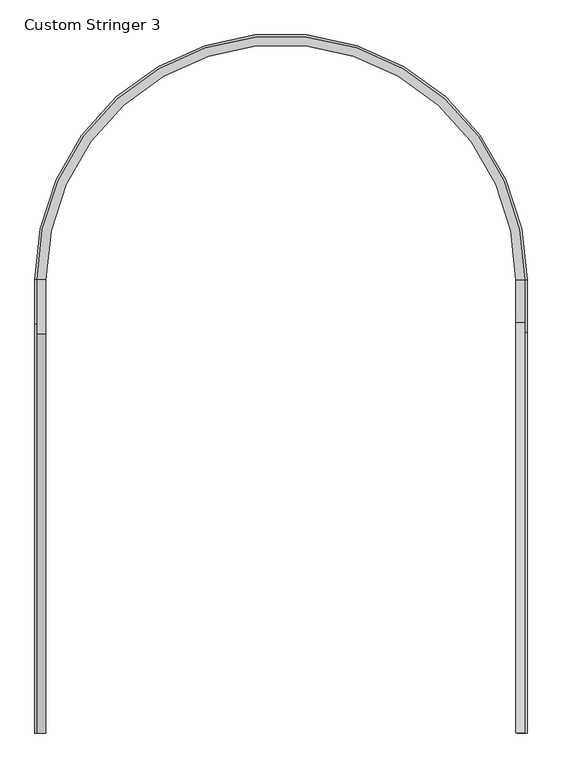
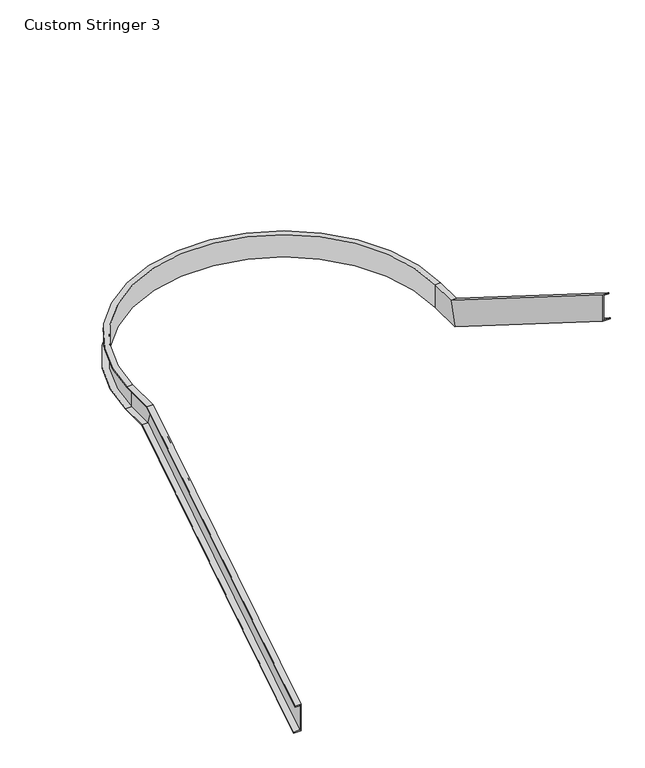
"""IFC4 building model written with IfcOpenShell, lengths in millimetres: railing geometry, Custom Stringer 3."""

from ifc_helpers import new_model, si_unit, frame, origin, place, context, project, spatial, polyline, circle_curve, source, transform, mapped, element, save
from ifc_brep_helpers import plane_surface, cylinder_surface, revolved_surface, advanced_brep


def custom_stringer_3_504a3947(model_context):
    return source(origin(), model_context, "Body", "AdvancedBrep", [
        advanced_brep(
        [(32029.7107122, -9490.020711, 222.1036534), (32029.7107122, -9490.020711, 207.0977159), (32093.2107122, -9490.020711, 207.0977159), (32093.2107122, -9490.020711, -138.038847), (32010.6607122, -9490.020711, -138.038847), (32010.6607122, -9490.020711, -153.0447845), (32105.9107122, -9490.020711, -153.0447845), (32105.9107122, -9490.020711, 222.1036534), (32029.7107122, -6049.287627, 2387.6), (32029.7107122, -6045.6237485, 2374.9), (32093.2107122, -6045.6237485, 2374.9), (32093.2107122, -5961.354543, 2082.8), (32010.6607122, -5961.354543, 2082.8), (32010.6607122, -5957.6906645, 2070.1), (32105.9107122, -5957.6906645, 2070.1), (32105.9107122, -6049.287627, 2387.6), (32029.7107122, -5578.420711, 2387.6), (32029.7107122, -5578.420711, 2374.9), (32093.2107122, -5578.420711, 2374.9), (32093.2107122, -5578.420711, 2082.8), (32010.6607122, -5578.420711, 2082.8), (32010.6607122, -5578.420711, 2070.1), (32105.9107122, -5578.420711, 2070.1), (32105.9107122, -5578.420711, 2387.6), (36244.0371795, -5578.420711, 2374.9), (36244.0371795, -5578.420711, 2387.6), (36180.5371795, -5578.420711, 2374.9), (36180.5371795, -5578.420711, 2082.8), (36263.0871795, -5578.420711, 2082.8), (36263.0871795, -5578.420711, 2070.1), (36167.8371795, -5578.420711, 2070.1), (36167.8371795, -5578.420711, 2387.6), (36244.0371795, -5945.753795, 2387.6), (36244.0371795, -5949.4176735, 2374.9), (36180.5371795, -5949.4176735, 2374.9), (36180.5371795, -6033.686879, 2082.8), (36263.0871795, -6033.686879, 2082.8), (36263.0871795, -6037.3507575, 2070.1), (36167.8371795, -6037.3507575, 2070.1), (36167.8371795, -5945.753795, 2387.6), (36244.0371795, -9490.020711, 4618.2574996), (36167.8371795, -9490.020711, 4618.2574996), (36167.8371795, -9490.020711, 4243.1090616), (36263.0871795, -9490.020711, 4243.1090616), (36263.0871795, -9490.020711, 4258.1149991), (36180.5371795, -9490.020711, 4258.1149991), (36180.5371795, -9490.020711, 4603.2515621), (36244.0371795, -9490.020711, 4603.2515621)],
        [
            (0, 1),
            (1, 2),
            (2, 3),
            (3, 4),
            (4, 5),
            (5, 6),
            (6, 7),
            (7, 0),
            (0, 8),
            (8, 9),
            (9, 1),
            (9, 10),
            (10, 2),
            (10, 11),
            (11, 3),
            (11, 12),
            (12, 4),
            (12, 13),
            (13, 5),
            (13, 14),
            (14, 6),
            (14, 15),
            (15, 7),
            (15, 8),
            (8, 16),
            (16, 17),
            (17, 9),
            (17, 18),
            (18, 10),
            (18, 19),
            (19, 11),
            (19, 20),
            (20, 12),
            (20, 21),
            (21, 13),
            (21, 22),
            (22, 14),
            (22, 23),
            (23, 15),
            (23, 16),
            (24, 17, circle_curve(frame((34136.8739459, -5578.420711, 2374.9), z_axis=(0.0, 0.0, 1.0), x_axis=(-1.0, 0.0, 0.0)), 2107.1632337)),
            (16, 25, circle_curve(frame((34136.8739459, -5578.420711, 2387.6), z_axis=(0.0, 0.0, -1.0), x_axis=(-1.0, 0.0, 0.0)), 2107.1632337)),
            (25, 24),
            (26, 18, circle_curve(frame((34136.8739459, -5578.420711, 2374.9), z_axis=(0.0, 0.0, 1.0), x_axis=(-1.0, 0.0, 0.0)), 2043.6632337)),
            (24, 26),
            (27, 19, circle_curve(frame((34136.8739459, -5578.420711, 2082.8), z_axis=(0.0, 0.0, 1.0), x_axis=(-1.0, 0.0, 0.0)), 2043.6632337)),
            (26, 27),
            (28, 20, circle_curve(frame((34136.8739459, -5578.420711, 2082.8), z_axis=(0.0, 0.0, 1.0), x_axis=(-1.0, 0.0, 0.0)), 2126.2132337)),
            (27, 28),
            (29, 21, circle_curve(frame((34136.8739459, -5578.420711, 2070.1), z_axis=(0.0, 0.0, 1.0), x_axis=(-1.0, 0.0, 0.0)), 2126.2132337)),
            (28, 29),
            (30, 22, circle_curve(frame((34136.8739459, -5578.420711, 2070.1), z_axis=(0.0, 0.0, 1.0), x_axis=(-1.0, 0.0, 0.0)), 2030.9632337)),
            (29, 30),
            (31, 23, circle_curve(frame((34136.8739459, -5578.420711, 2387.6), z_axis=(0.0, 0.0, 1.0), x_axis=(-1.0, 0.0, 0.0)), 2030.9632337)),
            (30, 31),
            (31, 25),
            (25, 32),
            (32, 33),
            (33, 24),
            (33, 34),
            (34, 26),
            (34, 35),
            (35, 27),
            (35, 36),
            (36, 28),
            (36, 37),
            (37, 29),
            (37, 38),
            (38, 30),
            (38, 39),
            (39, 31),
            (39, 32),
            (40, 41),
            (41, 42),
            (42, 43),
            (43, 44),
            (44, 45),
            (45, 46),
            (46, 47),
            (47, 40),
            (32, 40),
            (47, 33),
            (46, 34),
            (45, 35),
            (44, 36),
            (43, 37),
            (42, 38),
            (41, 39),
        ],
        [
            plane_surface(frame((32105.9107122, -9490.020711, 582.2461538), z_axis=(0.0, -1.0, 0.0), x_axis=(0.0, 0.0, 1.0))),
            plane_surface(frame((32029.7107122, -9490.020711, 222.1036534), z_axis=(-1.0, 0.0, 0.0), x_axis=(0.0, 0.8463316593764827, 0.5326562891180853))),
            plane_surface(frame((32029.7107122, -9490.020711, 207.0977159), z_axis=(0.0, 0.5326562891180854, -0.8463316593764827), x_axis=(0.0, 0.8463316593764827, 0.5326562891180854))),
            plane_surface(frame((32093.2107122, -9490.020711, 207.0977159), z_axis=(-1.0, 0.0, 0.0), x_axis=(0.0, 0.8463316593764827, 0.5326562891180854))),
            plane_surface(frame((32093.2107122, -9490.020711, -138.038847), z_axis=(0.0, -0.5326562891180854, 0.8463316593764827), x_axis=(0.0, 0.8463316593764827, 0.5326562891180854))),
            plane_surface(frame((32010.6607122, -9490.020711, -138.038847), z_axis=(-1.0, 0.0, 0.0), x_axis=(0.0, 0.8463316593764827, 0.5326562891180854))),
            plane_surface(frame((32010.6607122, -9490.020711, -153.0447845), z_axis=(0.0, 0.5326562891180853, -0.8463316593764828), x_axis=(0.0, 0.8463316593764828, 0.5326562891180853))),
            plane_surface(frame((32105.9107122, -9490.020711, -153.0447845), z_axis=(1.0, 0.0, 0.0), x_axis=(0.0, 0.8463316593764827, 0.5326562891180854))),
            plane_surface(frame((32105.9107122, -9490.020711, 222.1036534), z_axis=(0.0, -0.5326562891180853, 0.8463316593764828), x_axis=(0.0, 0.8463316593764828, 0.5326562891180853))),
            plane_surface(frame((32029.7107122, -6049.287627, 2387.6), z_axis=(-1.0, 0.0, 0.0), x_axis=(0.0, 1.0, 0.0))),
            plane_surface(frame((32029.7107122, -6045.6237485, 2374.9), z_axis=(0.0, 0.0, -1.0), x_axis=(0.0, 1.0, 0.0))),
            plane_surface(frame((32093.2107122, -6045.6237485, 2374.9), z_axis=(-1.0, 0.0, 0.0), x_axis=(0.0, 1.0, 0.0))),
            plane_surface(frame((32093.2107122, -5961.354543, 2082.8), z_axis=(0.0, 0.0, 1.0), x_axis=(0.0, 1.0, 0.0))),
            plane_surface(frame((32010.6607122, -5961.354543, 2082.8), z_axis=(-1.0, 0.0, 0.0), x_axis=(0.0, 1.0, 0.0))),
            plane_surface(frame((32010.6607122, -5957.6906645, 2070.1), z_axis=(0.0, 0.0, -1.0), x_axis=(0.0, 1.0, 0.0))),
            plane_surface(frame((32105.9107122, -5957.6906645, 2070.1), z_axis=(1.0, 0.0, 0.0), x_axis=(0.0, 1.0, 0.0))),
            plane_surface(frame((32105.9107122, -6049.287627, 2387.6), z_axis=(0.0, 0.0, 1.0), x_axis=(0.0, 1.0, 0.0))),
            cylinder_surface(frame((34136.8739459, -5578.420711, 2692.4), z_axis=(0.0, 0.0, -1.0), x_axis=(-1.0, 0.0, 0.0)), 2107.1632337),
            plane_surface(frame((34136.8739459, -5578.420711, 2374.9), z_axis=(0.0, 0.0, -1.0), x_axis=(-1.0, 0.0, 0.0))),
            cylinder_surface(frame((34136.8739459, -5578.420711, 2692.4), z_axis=(0.0, 0.0, -1.0), x_axis=(-1.0, 0.0, 0.0)), 2043.6632337),
            plane_surface(frame((34136.8739459, -5578.420711, 2082.8), z_axis=(0.0, 0.0, 1.0), x_axis=(-1.0, 0.0, 0.0))),
            cylinder_surface(frame((34136.8739459, -5578.420711, 2692.4), z_axis=(0.0, 0.0, -1.0), x_axis=(-1.0, 0.0, 0.0)), 2126.2132337),
            plane_surface(frame((34136.8739459, -5578.420711, 2070.1), z_axis=(0.0, 0.0, -1.0), x_axis=(-1.0, 0.0, 0.0))),
            revolved_surface(polyline([(32105.9107122, -5578.420711, 2070.1), (32105.9107122, -5578.420711, 2387.6)]), (34136.8739459, -5578.420711, 2692.4), (0.0, 0.0, -1.0)),
            plane_surface(frame((34136.8739459, -5578.420711, 2387.6), z_axis=(0.0, 0.0, 1.0), x_axis=(-1.0, 0.0, 0.0))),
            plane_surface(frame((36244.0371795, -5578.420711, 2387.6), z_axis=(1.0, 0.0, 0.0), x_axis=(0.0, -1.0, 0.0))),
            plane_surface(frame((36244.0371795, -5578.420711, 2374.9), z_axis=(0.0, 0.0, -1.0), x_axis=(0.0, -1.0, 0.0))),
            plane_surface(frame((36180.5371795, -5578.420711, 2374.9), z_axis=(1.0, 0.0, 0.0), x_axis=(0.0, -1.0, 0.0))),
            plane_surface(frame((36180.5371795, -5578.420711, 2082.8), z_axis=(0.0, 0.0, 1.0), x_axis=(0.0, -1.0, 0.0))),
            plane_surface(frame((36263.0871795, -5578.420711, 2082.8), z_axis=(1.0, 0.0, 0.0), x_axis=(0.0, -1.0, 0.0))),
            plane_surface(frame((36263.0871795, -5578.420711, 2070.1), z_axis=(0.0, 0.0, -1.0), x_axis=(0.0, -1.0, 0.0))),
            plane_surface(frame((36167.8371795, -5578.420711, 2070.1), z_axis=(-1.0, 0.0, 0.0), x_axis=(0.0, -1.0, 0.0))),
            plane_surface(frame((36167.8371795, -5578.420711, 2387.6), z_axis=(0.0, 0.0, 1.0), x_axis=(0.0, -1.0, 0.0))),
            plane_surface(frame((36167.8371795, -9490.020711, 4978.4), z_axis=(0.0, -1.0, 0.0), x_axis=(0.0, 0.0, -1.0))),
            plane_surface(frame((36244.0371795, -5945.753795, 2387.6), z_axis=(1.0, 0.0, 0.0), x_axis=(0.0, -0.8463316593764827, 0.5326562891180853))),
            plane_surface(frame((36244.0371795, -5949.4176735, 2374.9), z_axis=(0.0, -0.5326562891180854, -0.8463316593764827), x_axis=(0.0, -0.8463316593764827, 0.5326562891180854))),
            plane_surface(frame((36180.5371795, -5949.4176735, 2374.9), z_axis=(1.0000000000000002, 0.0, 0.0), x_axis=(0.0, -0.8463316593764827, 0.5326562891180855))),
            plane_surface(frame((36180.5371795, -6033.686879, 2082.8), z_axis=(0.0, 0.5326562891180853, 0.8463316593764828), x_axis=(0.0, -0.8463316593764828, 0.5326562891180853))),
            plane_surface(frame((36263.0871795, -6033.686879, 2082.8), z_axis=(1.0000000000000002, 0.0, 0.0), x_axis=(0.0, -0.8463316593764828, 0.5326562891180853))),
            plane_surface(frame((36263.0871795, -6037.3507575, 2070.1), z_axis=(0.0, -0.5326562891180854, -0.8463316593764827), x_axis=(0.0, -0.8463316593764827, 0.5326562891180854))),
            plane_surface(frame((36167.8371795, -6037.3507575, 2070.1), z_axis=(-1.0, 0.0, 0.0), x_axis=(0.0, -0.8463316593764827, 0.5326562891180853))),
            plane_surface(frame((36167.8371795, -5945.753795, 2387.6), z_axis=(0.0, 0.5326562891180853, 0.8463316593764827), x_axis=(0.0, -0.8463316593764827, 0.5326562891180853))),
        ],
        [
            (0, [[1, 2, 3, 4, 5, 6, 7, 8]]),
            (1, [[-1, 9, 10, 11]]),
            (2, [[-2, -11, 12, 13]]),
            (3, [[-3, -13, 14, 15]]),
            (4, [[-4, -15, 16, 17]]),
            (5, [[-5, -17, 18, 19]]),
            (6, [[-6, -19, 20, 21]]),
            (7, [[-7, -21, 22, 23]]),
            (8, [[-8, -23, 24, -9]]),
            (9, [[-10, 25, 26, 27]]),
            (10, [[-12, -27, 28, 29]]),
            (11, [[-14, -29, 30, 31]]),
            (12, [[-16, -31, 32, 33]]),
            (13, [[-18, -33, 34, 35]]),
            (14, [[-20, -35, 36, 37]]),
            (15, [[-22, -37, 38, 39]]),
            (16, [[-24, -39, 40, -25]]),
            (17, [[41, -26, 42, 43]]),
            (18, [[44, -28, -41, 45]]),
            (19, [[46, -30, -44, 47]]),
            (20, [[48, -32, -46, 49]]),
            (21, [[50, -34, -48, 51]]),
            (22, [[52, -36, -50, 53]]),
            (23, [[54, -38, -52, 55]]),
            (24, [[-42, -40, -54, 56]]),
            (25, [[-43, 57, 58, 59]]),
            (26, [[-45, -59, 60, 61]]),
            (27, [[-47, -61, 62, 63]]),
            (28, [[-49, -63, 64, 65]]),
            (29, [[-51, -65, 66, 67]]),
            (30, [[-53, -67, 68, 69]]),
            (31, [[-55, -69, 70, 71]]),
            (32, [[-56, -71, 72, -57]]),
            (33, [[73, 74, 75, 76, 77, 78, 79, 80]]),
            (34, [[-58, 81, -80, 82]]),
            (35, [[-60, -82, -79, 83]]),
            (36, [[-62, -83, -78, 84]]),
            (37, [[-64, -84, -77, 85]]),
            (38, [[-66, -85, -76, 86]]),
            (39, [[-68, -86, -75, 87]]),
            (40, [[-70, -87, -74, 88]]),
            (41, [[-72, -88, -73, -81]]),
        ],
    ),
    ])


if __name__ == "__main__":
    model = new_model("IFC4")
    model_context = context("Model", 3, world=origin())
    ifc_project = project(units=[si_unit("LENGTHUNIT", "METRE", prefix="MILLI")], contexts=[model_context])
    site = spatial("IfcSite", under=ifc_project)
    building = spatial("IfcBuilding", under=site)
    placement = place(None, origin())
    custom_stringer_3_shape = custom_stringer_3_504a3947(model_context)
    element("IfcRailing", 1, ObjectType="Custom Stringer 3", at=placement, inside=building, context=model_context, shape_type="MappedRepresentation", body=[
        mapped(custom_stringer_3_shape, transform((0.0, 0.0, 0.0), x_axis=(1.0, 0.0, 0.0), y_axis=(0.0, 1.0, 0.0), z_axis=(0.0, 0.0, 1.0))),
    ])
    save(model, "model.ifc")
